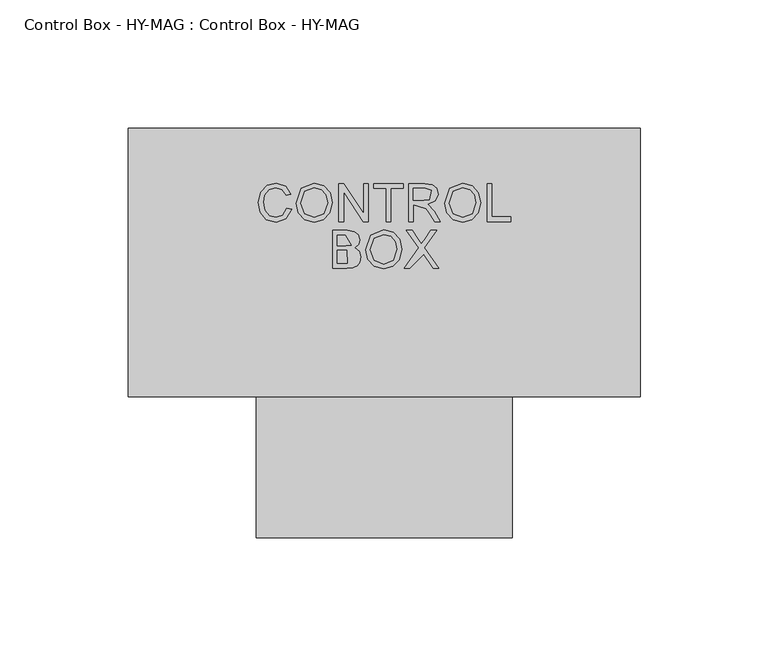
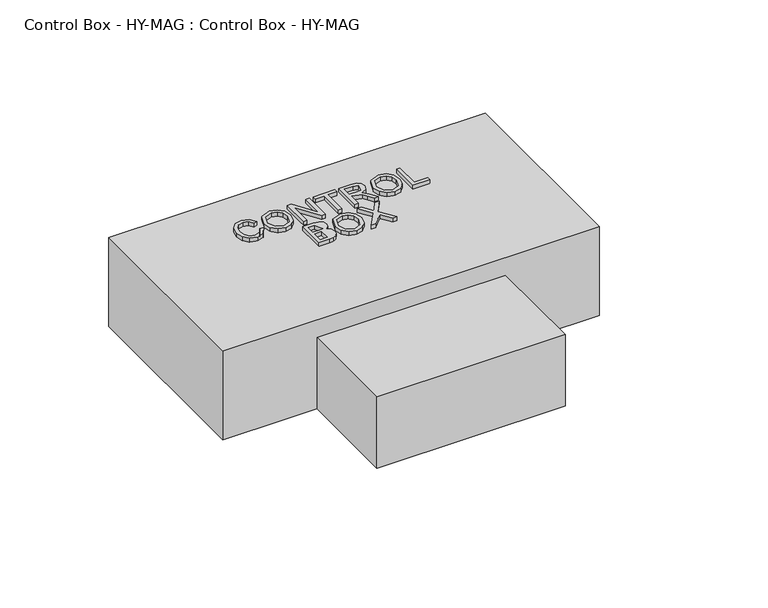
"""IFC4 building model written with IfcOpenShell, lengths in millimetres: proxy geometry, Control Box - HY-MAG : Control Box - HY-MAG."""

import ifcopenshell
import ifcopenshell.guid

model = None  # the IFC model being written
_history = None  # IfcOwnerHistory: only IFC2X3 demands one
_inside = {}  # id of a spatial element -> (the spatial element, [elements in it])
_under = {}  # id of a project, library or spatial element -> (it, [spatial elements below it])
_declared = {}  # id of a project -> (the project, [libraries it declares])
_typed = {}  # id of a type object -> (the type object, [elements of that type])
_made_of = {}  # id of a material, layer set ... -> (it, [elements and type objects made of it])


def new_model(schema):
    """Start an empty IFC model of exactly this schema.

    Asked for "IFC4X3", IfcOpenShell would pick the latest addendum, in which some entities
    have other attributes; the version numbers below select the first issue.
    IFC2X3 requires an IfcOwnerHistory on every rooted entity: one is made here for all.
    """
    global model, _history
    if schema == "IFC4X3":
        model = ifcopenshell.file(schema_version=(4, 3, 0, 0))
    else:
        model = ifcopenshell.file(schema=schema)
    _inside.clear()
    _under.clear()
    _declared.clear()
    _typed.clear()
    _made_of.clear()
    _history = None
    if model.schema == "IFC2X3":
        org = make("IfcOrganization", Name="unknown")
        user = make(
            "IfcPersonAndOrganization",
            ThePerson=make("IfcPerson", FamilyName="unknown"),
            TheOrganization=org,
        )
        app = make(
            "IfcApplication",
            ApplicationDeveloper=org,
            Version="unknown",
            ApplicationFullName="unknown",
            ApplicationIdentifier="unknown",
        )
        _history = make(
            "IfcOwnerHistory",
            OwningUser=user,
            OwningApplication=app,
            ChangeAction="ADDED",
            CreationDate=0,
        )
    return model


def make(cls, **values):
    """One entity of the class cls with the attributes given. An attribute that is None is left unset."""
    return model.create_entity(
        cls, **{name: value for name, value in values.items() if value is not None}
    )


def rooted(cls, **values):
    """An entity with a GlobalId (a new one), such as an element, a storey or a relation."""
    return make(cls, GlobalId=ifcopenshell.guid.new(), OwnerHistory=_history, **values)


def si_unit(unit_type, name, prefix=None):
    """IfcSIUnit, for example si_unit("LENGTHUNIT", "METRE", prefix="MILLI")."""
    return make("IfcSIUnit", UnitType=unit_type, Prefix=prefix, Name=name)


def assignment(units):
    """IfcUnitAssignment: the units of a project."""
    return None if units is None else make("IfcUnitAssignment", Units=units)


def point(xyz):
    """IfcCartesianPoint."""
    return None if xyz is None else make("IfcCartesianPoint", Coordinates=xyz)


def direction(xyz):
    """IfcDirection."""
    return None if xyz is None else make("IfcDirection", DirectionRatios=xyz)


def frame(location, z_axis=None, x_axis=None):
    """IfcAxis2Placement3D, a coordinate frame: its origin and axes. An axis left out is left unset."""
    return make(
        "IfcAxis2Placement3D",
        Location=point(location),
        Axis=direction(z_axis),
        RefDirection=direction(x_axis),
    )


def origin():
    """The frame at (0, 0, 0) with its axes left unset."""
    return frame((0.0, 0.0, 0.0))


def origin_with_axes():
    """The frame at (0, 0, 0) with the z axis (0, 0, 1) and the x axis (1, 0, 0) written out."""
    return frame((0.0, 0.0, 0.0), z_axis=(0.0, 0.0, 1.0), x_axis=(1.0, 0.0, 0.0))


def place(relative_to, where):
    """IfcLocalPlacement: puts the frame where relative to a parent placement (None: the world)."""
    return make(
        "IfcLocalPlacement", PlacementRelTo=relative_to, RelativePlacement=where
    )


def context(
    kind, dimensions, precision=None, world=None, true_north=None, identifier=None
):
    """IfcGeometricRepresentationContext, for example the 3D "Model" context."""
    return make(
        "IfcGeometricRepresentationContext",
        ContextIdentifier=identifier,
        ContextType=kind,
        CoordinateSpaceDimension=dimensions,
        Precision=precision,
        WorldCoordinateSystem=world,
        TrueNorth=true_north,
    )


def project(units=None, contexts=None):
    """IfcProject with its units and contexts."""
    return rooted(
        "IfcProject",
        Name="project",
        RepresentationContexts=contexts,
        UnitsInContext=assignment(units),
    )


def spatial(cls, under=None, at=None, **own):
    """A site, building, storey or space (cls), placed at a placement, below another one or the project."""
    s = rooted(cls, ObjectPlacement=at, **own)
    if under is not None:
        _under.setdefault(under.id(), (under, []))[1].append(s)
    return s


def polyline(points):
    """IfcPolyline through the points."""
    return make("IfcPolyline", Points=[point(p) for p in points])


def outline(outer, holes=None, kind="AREA"):
    """IfcArbitraryClosedProfileDef: a profile drawn as a closed curve; with holes, ...WithVoids."""
    if holes is None:
        return make("IfcArbitraryClosedProfileDef", ProfileType=kind, OuterCurve=outer)
    return make(
        "IfcArbitraryProfileDefWithVoids",
        ProfileType=kind,
        OuterCurve=outer,
        InnerCurves=holes,
    )


def extrude(swept, where, along, depth):
    """IfcExtrudedAreaSolid: the profile swept, set in the frame where, extruded along a direction by depth."""
    return make(
        "IfcExtrudedAreaSolid",
        SweptArea=swept,
        Position=where,
        ExtrudedDirection=direction(along),
        Depth=depth,
    )


def shape(context_of_items, identifier, shape_type, items):
    """IfcShapeRepresentation: the items that make up one representation, for example the "Body"."""
    return make(
        "IfcShapeRepresentation",
        ContextOfItems=context_of_items,
        RepresentationIdentifier=identifier,
        RepresentationType=shape_type,
        Items=items,
    )


def source(mapping_origin, context_of_items, identifier, shape_type, items):
    """IfcRepresentationMap: a shape defined once, which mapped items show again and again."""
    return make(
        "IfcRepresentationMap",
        MappingOrigin=mapping_origin,
        MappedRepresentation=shape(context_of_items, identifier, shape_type, items),
    )


def transform(
    local_origin,
    x_axis=None,
    y_axis=None,
    z_axis=None,
    scale=None,
    scale2=None,
    scale3=None,
    uniform=True,
):
    """IfcCartesianTransformationOperator3D, or its non-uniform kind. x_axis, y_axis, z_axis: its Axis1, 2, 3."""
    if uniform:
        return make(
            "IfcCartesianTransformationOperator3D",
            Axis1=direction(x_axis),
            Axis2=direction(y_axis),
            LocalOrigin=point(local_origin),
            Scale=scale,
            Axis3=direction(z_axis),
        )
    return make(
        "IfcCartesianTransformationOperator3DnonUniform",
        Axis1=direction(x_axis),
        Axis2=direction(y_axis),
        LocalOrigin=point(local_origin),
        Scale=scale,
        Axis3=direction(z_axis),
        Scale2=scale2,
        Scale3=scale3,
    )


def mapped(mapping_source, mapping_target):
    """IfcMappedItem: shows the shape of a source again, moved by a transform."""
    return make(
        "IfcMappedItem", MappingSource=mapping_source, MappingTarget=mapping_target
    )


def made_of(thing, what):
    """Note that an element or type object is made of a material, layer set ...; save() writes the relation."""
    if what is not None:
        _made_of.setdefault(what.id(), (what, []))[1].append(thing)
    return thing


def element(
    cls,
    number,
    at=None,
    inside=None,
    cuts=None,
    type_object=None,
    material=None,
    context=None,
    identifier="Body",
    shape_type=None,
    held_by="IfcProductDefinitionShape",
    body=None,
    shapes=None,
    **own,
):
    """One element of the class cls, such as IfcWall. Its Tag is "e" and its number.

    at: its placement. inside: the storey or other place that contains it. cuts: it is an
    opening in that element (IfcRelVoidsElement). A single representation is given by context,
    identifier, shape_type and body (its items); several are given by shapes. held_by: the class
    of the entity that holds the representations. save() writes the other relations.
    """
    e = rooted(cls, Tag="e%d" % number, ObjectPlacement=at, **own)
    if body is not None:
        shapes = [shape(context, identifier, shape_type, body)]
    if shapes is not None:
        e.Representation = make(held_by, Representations=shapes)
    if inside is not None:
        _inside.setdefault(inside.id(), (inside, []))[1].append(e)
    if cuts is not None:
        rooted(
            "IfcRelVoidsElement", RelatingBuildingElement=cuts, RelatedOpeningElement=e
        )
    if type_object is not None:
        _typed.setdefault(type_object.id(), (type_object, []))[1].append(e)
    return made_of(e, material)


def aggregate(whole, parts):
    """IfcRelAggregates: a whole, such as a stair, and the parts it consists of."""
    return rooted("IfcRelAggregates", RelatingObject=whole, RelatedObjects=parts)


def save(model, path):
    """Write the relations noted so far, then the file.

    IfcRelAggregates (storeys below a building ...), IfcRelContainedInSpatialStructure (elements
    in a storey), IfcRelDefinesByType, IfcRelAssociatesMaterial and IfcRelDeclares: one each for
    every whole, place, type object, material and project.
    """
    for whole, parts in _under.values():
        aggregate(whole, parts)
    for where, things in _inside.values():
        rooted(
            "IfcRelContainedInSpatialStructure",
            RelatedElements=things,
            RelatingStructure=where,
        )
    for kind, things in _typed.values():
        rooted("IfcRelDefinesByType", RelatedObjects=things, RelatingType=kind)
    for what, things in _made_of.values():
        rooted("IfcRelAssociatesMaterial", RelatedObjects=things, RelatingMaterial=what)
    for by, libraries in _declared.values():
        rooted("IfcRelDeclares", RelatingContext=by, RelatedDefinitions=libraries)
    model.write(path)


def control_box_hy_mag_control_box_hy_mag_569e6a93(model_context):
    return source(origin(), model_context, "Body", "SweptSolid", [
        extrude(outline(polyline([(50.0, -107.5), (-50.0, -107.5), (-50.0, -52.5), (50.0, -52.5), (50.0, -107.5)])), origin_with_axes(), (0.0, 0.0, 1.0), 40.0),
        extrude(outline(polyline([(100.0, -52.5), (-100.0, -52.5), (-100.0, 52.5), (100.0, 52.5), (100.0, -52.5)])), origin_with_axes(), (0.0, 0.0, 1.0), 50.0),
        extrude(outline(polyline([(-37.9615385, 21.2158739), (-36.1153846, 20.7399123), (-38.3040865, 17.0169556), (-42.1694712, 15.7351046), (-46.0114183, 16.7050566), (-48.265024, 19.5139508), (-49.0384615, 23.4622681), (-48.1640625, 27.4754892), (-45.6778846, 30.0770517), (-42.1298077, 30.9658739), (-38.4320913, 29.8156335), (-36.3461538, 26.5776527), (-38.1923077, 26.1377489), (-39.7067308, 28.4075806), (-42.2019231, 29.11972), (-45.0901442, 28.3300566), (-46.7217548, 26.2098642), (-47.1923077, 23.4658739), (-46.6352163, 20.2855854), (-44.9008413, 18.2537344), (-42.3533654, 17.5812585), (-39.5282452, 18.4971239), (-37.9615385, 21.2158739)])), frame((0.0, 0.0, 50.0), z_axis=(0.0, 0.0, 1.0), x_axis=(1.0, 0.0, 0.0)), (0.0, 0.0, 1.0), 2.5),
        extrude(outline(polyline([(-34.2692308, 23.1557777), (-32.3004808, 28.8925566), (-27.2199519, 30.9658739), (-23.5456731, 29.9923162), (-21.0504808, 27.2771719), (-20.1923077, 23.3252489), (-21.0955529, 19.3192392), (-23.655649, 16.6437585), (-27.2307692, 15.7351046), (-30.9447115, 16.7393114), (-33.4254808, 19.479696), (-34.2692308, 23.1557777)]), holes=[polyline([(-32.4230769, 23.1377489), (-30.9465144, 19.0668354), (-27.2415865, 17.5812585), (-23.5042067, 19.0812585), (-22.0384615, 23.3396719), (-22.6658654, 26.3865469), (-24.499399, 28.4039748), (-27.2091346, 29.11972), (-30.8834135, 27.7405133), (-32.4230769, 23.1377489)])]), frame((0.0, 0.0, 50.0), z_axis=(0.0, 0.0, 1.0), x_axis=(1.0, 0.0, 0.0)), (0.0, 0.0, 1.0), 2.5),
        extrude(outline(polyline([(-17.6538462, 15.9658739), (-17.6538462, 30.7351046), (-15.6778846, 30.7351046), (-7.9615385, 19.0343835), (-7.9615385, 30.7351046), (-6.1153846, 30.7351046), (-6.1153846, 15.9658739), (-8.0913462, 15.9658739), (-15.8076923, 27.6702008), (-15.8076923, 15.9658739), (-17.6538462, 15.9658739)])), frame((0.0, 0.0, 50.0), z_axis=(0.0, 0.0, 1.0), x_axis=(1.0, 0.0, 0.0)), (0.0, 0.0, 1.0), 2.5),
        extrude(outline(polyline([(0.8076923, 15.9658739), (0.8076923, 28.8889508), (-4.0384615, 28.8889508), (-4.0384615, 30.7351046), (7.5, 30.7351046), (7.5, 28.8889508), (2.6538462, 28.8889508), (2.6538462, 15.9658739), (0.8076923, 15.9658739)])), frame((0.0, 0.0, 50.0), z_axis=(0.0, 0.0, 1.0), x_axis=(1.0, 0.0, 0.0)), (0.0, 0.0, 1.0), 2.5),
        extrude(outline(polyline([(9.5769231, 15.9658739), (9.5769231, 30.7351046), (15.9411058, 30.7351046), (18.8960337, 30.3366671), (20.5114183, 28.9268114), (21.1153846, 26.6930373), (20.1147837, 24.0319796), (17.0228365, 22.6581816), (19.5685096, 19.9682777), (22.03125, 15.9658739), (19.8858173, 15.9658739), (17.9639423, 19.0271719), (16.5757212, 21.0536142), (11.4230769, 22.4274123), (11.4230769, 15.9658739), (9.5769231, 15.9658739)]), holes=[polyline([(11.4230769, 24.2735662), (15.5552885, 24.2735662), (17.6628606, 24.5349844), (18.4885817, 28.2507296), (16.0204327, 28.8889508), (11.4230769, 28.8889508), (11.4230769, 24.2735662)])]), frame((0.0, 0.0, 50.0), z_axis=(0.0, 0.0, 1.0), x_axis=(1.0, 0.0, 0.0)), (0.0, 0.0, 1.0), 2.5),
        extrude(outline(polyline([(23.6538462, 23.1557777), (25.6225962, 28.8925566), (30.703125, 30.9658739), (34.3774038, 29.9923162), (36.8725962, 27.2771719), (37.7307692, 23.3252489), (36.827524, 19.3192392), (34.2674279, 16.6437585), (30.6923077, 15.7351046), (26.9783654, 16.7393114), (24.4975962, 19.479696), (23.6538462, 23.1557777)]), holes=[polyline([(25.5, 23.1377489), (26.9765625, 19.0668354), (30.6814904, 17.5812585), (34.4188702, 19.0812585), (35.8846154, 23.3396719), (35.2572115, 26.3865469), (33.4236779, 28.4039748), (30.7139423, 29.11972), (27.0396635, 27.7405133), (25.5, 23.1377489)])]), frame((0.0, 0.0, 50.0), z_axis=(0.0, 0.0, 1.0), x_axis=(1.0, 0.0, 0.0)), (0.0, 0.0, 1.0), 2.5),
        extrude(outline(polyline([(40.2692308, 15.9658739), (40.2692308, 30.7351046), (42.1153846, 30.7351046), (42.1153846, 17.8120277), (49.5, 17.8120277), (49.5, 15.9658739), (40.2692308, 15.9658739)])), frame((0.0, 0.0, 50.0), z_axis=(0.0, 0.0, 1.0), x_axis=(1.0, 0.0, 0.0)), (0.0, 0.0, 1.0), 2.5),
        extrude(outline(polyline([(-20.0769231, -2.2648954), (-20.0769231, 12.5043354), (-14.4411058, 12.5043354), (-11.6808894, 12.0698402), (-10.0510817, 10.7339027), (-9.4615385, 8.8444796), (-9.9573317, 7.1191191), (-11.4555288, 5.8120277), (-9.6364183, 4.4346239), (-9.0, 2.1377489), (-9.4344952, 0.1527729), (-10.5108173, -1.2606886), (-12.1171875, -2.0106886), (-14.484375, -2.2648954), (-20.0769231, -2.2648954)]), holes=[polyline([(-18.2307692, 6.5043354), (-14.859375, 6.5043354), (-12.890625, 6.6629892), (-15.1153846, 10.6581816), (-18.2307692, 10.6581816), (-18.2307692, 6.5043354)]), polyline([(-18.2307692, -0.4187415), (-14.4447115, -0.4187415), (-14.625, 4.6581816), (-18.2307692, 4.6581816), (-18.2307692, -0.4187415)])]), frame((0.0, 0.0, 50.0), z_axis=(0.0, 0.0, 1.0), x_axis=(1.0, 0.0, 0.0)), (0.0, 0.0, 1.0), 2.5),
        extrude(outline(polyline([(-7.1538462, 4.9250085), (-5.1850962, 10.6617873), (-0.1045673, 12.7351046), (3.5697115, 11.7615469), (6.0649038, 9.0464027), (6.9230769, 5.0944796), (6.0198317, 1.08847), (3.4597356, -1.5870108), (-0.1153846, -2.4956646), (-3.8293269, -1.4914579), (-6.3100962, 1.2489267), (-7.1538462, 4.9250085)]), holes=[polyline([(-5.3076923, 4.9069796), (-3.8311298, 0.8360662), (-0.1262019, -0.6495108), (3.6111779, 0.8504892), (5.0769231, 5.1089027), (4.4495192, 8.1557777), (2.6159856, 10.1732056), (-0.09375, 10.8889508), (-3.7680288, 9.5097441), (-5.3076923, 4.9069796)])]), frame((0.0, 0.0, 50.0), z_axis=(0.0, 0.0, 1.0), x_axis=(1.0, 0.0, 0.0)), (0.0, 0.0, 1.0), 2.5),
        extrude(outline(polyline([(7.8461538, -2.2648954), (13.5396635, 5.7831816), (8.7692308, 12.5043354), (10.9831731, 12.5043354), (13.6694712, 8.7218835), (14.5745192, 7.2471239), (15.6346154, 8.7471239), (18.2920673, 12.5043354), (20.5384615, 12.5043354), (15.7680288, 5.7615469), (21.4615385, -2.2648954), (19.2475962, -2.2648954), (15.4543269, 3.0860662), (10.0925481, -2.2648954), (7.8461538, -2.2648954)])), frame((0.0, 0.0, 50.0), z_axis=(0.0, 0.0, 1.0), x_axis=(1.0, 0.0, 0.0)), (0.0, 0.0, 1.0), 2.5),
    ])


if __name__ == "__main__":
    model = new_model("IFC4")
    model_context = context("Model", 3, world=origin())
    ifc_project = project(units=[si_unit("LENGTHUNIT", "METRE", prefix="MILLI")], contexts=[model_context])
    site = spatial("IfcSite", under=ifc_project)
    building = spatial("IfcBuilding", under=site)
    placement = place(None, origin())
    control_box_hy_mag_control_box_hy_mag_shape = control_box_hy_mag_control_box_hy_mag_569e6a93(model_context)
    element("IfcBuildingElementProxy", 1, Name="Control Box - HY-MAG : Control Box - HY-MAG", ObjectType="Control Box - HY-MAG : Control Box - HY-MAG", at=placement, inside=building, context=model_context, shape_type="MappedRepresentation", body=[
        mapped(control_box_hy_mag_control_box_hy_mag_shape, transform((0.0, 0.0, 0.0), x_axis=(1.0, 0.0, 0.0), y_axis=(0.0, 1.0, 0.0), z_axis=(0.0, 0.0, 1.0))),
    ])
    save(model, "model.ifc")
